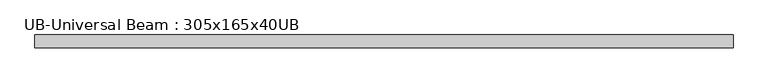
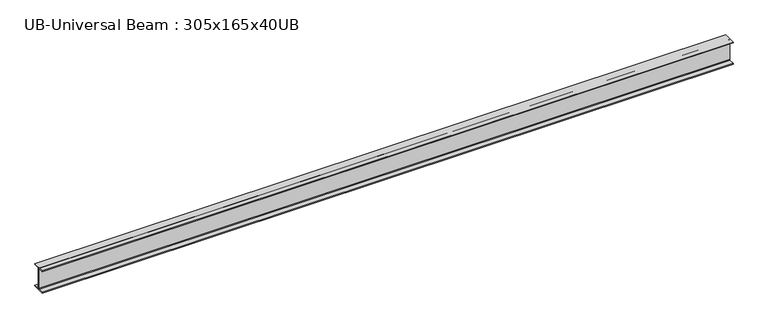
"""IFC4 building model written with IfcOpenShell, lengths in millimetres: beam geometry, UB-Universal Beam : 305x165x40UB."""

from ifc_helpers import new_model, si_unit, point, frame, frame_2d, origin, place, context, project, spatial, polyline, circle_curve, trimmed, segment, composite_curve, outline, extrude, source, transform, mapped, element, save


def ub_universal_beam_305x165x40ub_04eb4de8(model_context):
    return source(origin(), model_context, "Body", "SweptSolid", [
        extrude(outline(composite_curve([segment(polyline([(82.5, -141.5), (82.5, -151.7), (-82.5, -151.7), (-82.5, -141.5), (-11.9, -141.5)]), True, "CONTINUOUS"), segment(trimmed(circle_curve(frame_2d((-11.9, -132.6)), 8.9), [point((-11.9, -141.5))], [point((-3.0, -132.6))], True, "CARTESIAN"), True, "CONTINUOUS"), segment(polyline([(-3.0, -132.6), (-3.0, 132.6)]), True, "CONTINUOUS"), segment(trimmed(circle_curve(frame_2d((-11.9, 132.6)), 8.9), [point((-3.0, 132.6))], [point((-11.9, 141.5))], True, "CARTESIAN"), True, "CONTINUOUS"), segment(polyline([(-11.9, 141.5), (-82.5, 141.5), (-82.5, 151.7), (82.5, 151.7), (82.5, 141.5), (11.9, 141.5)]), True, "CONTINUOUS"), segment(trimmed(circle_curve(frame_2d((11.9, 132.6)), 8.9), [point((11.9, 141.5))], [point((3.0, 132.6))], True, "CARTESIAN"), True, "CONTINUOUS"), segment(polyline([(3.0, 132.6), (3.0, -132.6)]), True, "CONTINUOUS"), segment(trimmed(circle_curve(frame_2d((11.9, -132.6)), 8.9), [point((3.0, -132.6))], [point((11.9, -141.5))], True, "CARTESIAN"), True, "CONTINUOUS"), segment(polyline([(11.9, -141.5), (82.5, -141.5)]), True, "CONTINUOUS")], self_intersect=False)), frame((-4498.5966114, 0.0, 0.0), z_axis=(1.0, 0.0, 0.0), x_axis=(0.0, 1.0, 0.0)), (0.0, 0.0, 1.0), 8989.64461),
    ])


if __name__ == "__main__":
    model = new_model("IFC4")
    model_context = context("Model", 3, world=origin())
    ifc_project = project(units=[si_unit("LENGTHUNIT", "METRE", prefix="MILLI")], contexts=[model_context])
    site = spatial("IfcSite", under=ifc_project)
    building = spatial("IfcBuilding", under=site)
    placement = place(None, origin())
    ub_universal_beam_305x165x40ub_shape = ub_universal_beam_305x165x40ub_04eb4de8(model_context)
    element("IfcBeam", 1, ObjectType="UB-Universal Beam : 305x165x40UB", at=placement, inside=building, context=model_context, shape_type="MappedRepresentation", body=[
        mapped(ub_universal_beam_305x165x40ub_shape, transform((0.0, 0.0, 0.0), x_axis=(1.0, 0.0, 0.0), y_axis=(0.0, 1.0, 0.0), z_axis=(0.0, 0.0, 1.0))),
    ])
    save(model, "model.ifc")
